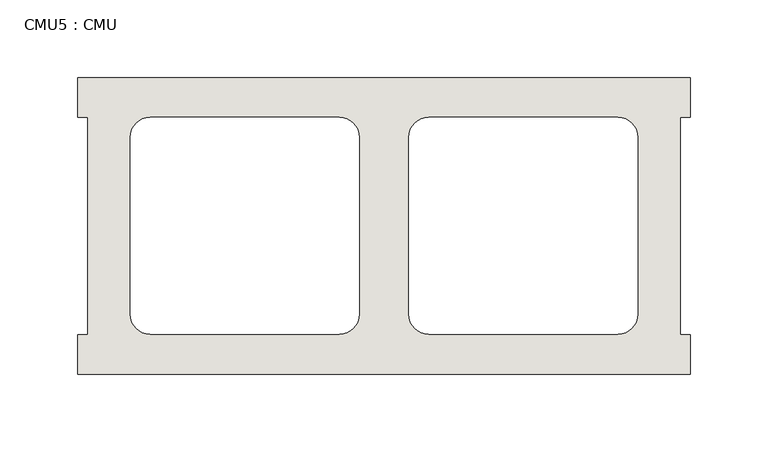
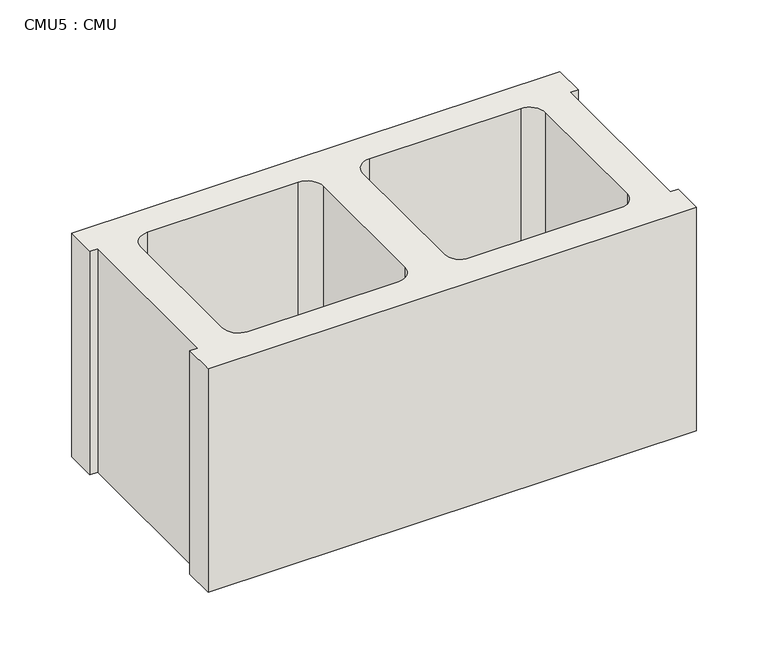
"""IFC4 building model written with IfcOpenShell, lengths in millimetres: wall geometry, CMU5 : CMU."""

from ifc_helpers import new_model, si_unit, point, frame, frame_2d, origin, place, context, project, spatial, polyline, circle_curve, trimmed, segment, composite_curve, outline, extrude, source, transform, mapped, element, save


def cmu5_cmu_f208f879(model_context):
    return source(origin(), model_context, "Body", "SweptSolid", [
        extrude(outline(polyline([(-397.3785982, 3347.4652891), (-3.6785982, 3347.4652891), (-3.6785982, 3322.0652891), (-10.0285982, 3322.0652891), (-10.0285982, 3182.3652891), (-3.6785982, 3182.3652891), (-3.6785982, 3156.9652891), (-397.3785982, 3156.9652891), (-397.3785982, 3182.3652891), (-391.0285982, 3182.3652891), (-391.0285982, 3322.0652891), (-397.3785982, 3322.0652891), (-397.3785982, 3347.4652891)]), holes=[composite_curve([segment(polyline([(-229.2105995, 3322.0652891), (-350.9272496, 3322.0652891)]), True, "CONTINUOUS"), segment(trimmed(circle_curve(frame_2d((-350.9272496, 3309.3652891)), 12.7), [point((-350.9272496, 3322.0652891))], [point((-363.6272496, 3309.3652891))], True, "CARTESIAN"), True, "CONTINUOUS"), segment(polyline([(-363.6272496, 3309.3652891), (-363.6272496, 3195.2994494)]), True, "CONTINUOUS"), segment(trimmed(circle_curve(frame_2d((-350.9272496, 3195.2994494)), 12.7), [point((-363.6272496, 3195.2994494))], [point((-350.9272496, 3182.5994494))], True, "CARTESIAN"), True, "CONTINUOUS"), segment(polyline([(-350.9272496, 3182.5994494), (-229.2105995, 3182.5994494)]), True, "CONTINUOUS"), segment(trimmed(circle_curve(frame_2d((-229.2105995, 3195.2994494)), 12.7), [point((-229.2105995, 3182.5994494))], [point((-216.5105995, 3195.2994494))], True, "CARTESIAN"), True, "CONTINUOUS"), segment(polyline([(-216.5105995, 3195.2994494), (-216.5105995, 3309.3652891)]), True, "CONTINUOUS"), segment(trimmed(circle_curve(frame_2d((-229.2105995, 3309.3652891)), 12.7), [point((-216.5105995, 3309.3652891))], [point((-229.2105995, 3322.0652891))], True, "CARTESIAN"), True, "CONTINUOUS")], self_intersect=False), composite_curve([segment(trimmed(circle_curve(frame_2d((-171.8465969, 3309.3652891)), 12.7), [point((-171.8465969, 3322.0652891))], [point((-184.5465969, 3309.3652891))], True, "CARTESIAN"), True, "CONTINUOUS"), segment(polyline([(-184.5465969, 3309.3652891), (-184.5465969, 3195.2994494)]), True, "CONTINUOUS"), segment(trimmed(circle_curve(frame_2d((-171.8465969, 3195.2994494)), 12.7), [point((-184.5465969, 3195.2994494))], [point((-171.8465969, 3182.5994494))], True, "CARTESIAN"), True, "CONTINUOUS"), segment(polyline([(-171.8465969, 3182.5994494), (-50.1299468, 3182.5994494)]), True, "CONTINUOUS"), segment(trimmed(circle_curve(frame_2d((-50.1299468, 3195.2994494)), 12.7), [point((-50.1299468, 3182.5994494))], [point((-37.4299468, 3195.2994494))], True, "CARTESIAN"), True, "CONTINUOUS"), segment(polyline([(-37.4299468, 3195.2994494), (-37.4299468, 3309.3652891)]), True, "CONTINUOUS"), segment(trimmed(circle_curve(frame_2d((-50.1299468, 3309.3652891)), 12.7), [point((-37.4299468, 3309.3652891))], [point((-50.1299468, 3322.0652891))], True, "CARTESIAN"), True, "CONTINUOUS"), segment(polyline([(-50.1299468, 3322.0652891), (-171.8465969, 3322.0652891)]), True, "CONTINUOUS")], self_intersect=False)]), frame((0.0, 0.0, 406.4), z_axis=(0.0, 0.0, 1.0), x_axis=(1.0, 0.0, 0.0)), (0.0, 0.0, 1.0), 190.5),
    ])


if __name__ == "__main__":
    model = new_model("IFC4")
    model_context = context("Model", 3, world=origin())
    ifc_project = project(units=[si_unit("LENGTHUNIT", "METRE", prefix="MILLI")], contexts=[model_context])
    site = spatial("IfcSite", under=ifc_project)
    building = spatial("IfcBuilding", under=site)
    placement = place(None, origin())
    cmu5_cmu_shape = cmu5_cmu_f208f879(model_context)
    element("IfcWall", 1, ObjectType="CMU5 : CMU", at=placement, inside=building, context=model_context, shape_type="MappedRepresentation", body=[
        mapped(cmu5_cmu_shape, transform((0.0, 0.0, 0.0), x_axis=(1.0, 0.0, 0.0), y_axis=(0.0, 1.0, 0.0), z_axis=(0.0, 0.0, 1.0))),
    ])
    save(model, "model.ifc")
